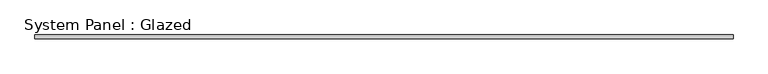
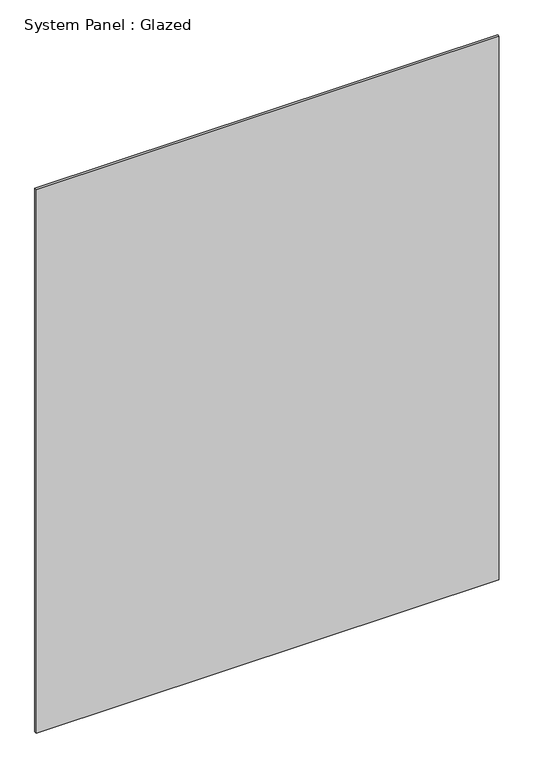
"""IFC4 building model written with IfcOpenShell, lengths in millimetres: plate geometry, System Panel : Glazed."""

from ifc_helpers import new_model, si_unit, origin, origin_with_axes, place, context, project, spatial, polyline, outline, extrude, source, transform, mapped, element, save


def system_panel_glazed_72f0a7b9(model_context):
    return source(origin(), model_context, "Body", "SweptSolid", [
        extrude(outline(polyline([(587.376905, -3.175), (-587.376905, -3.175), (-587.376905, 3.175), (587.376905, 3.175), (587.376905, -3.175)])), origin_with_axes(), (0.0, 0.0, 1.0), 1457.330715),
    ])


if __name__ == "__main__":
    model = new_model("IFC4")
    model_context = context("Model", 3, world=origin())
    ifc_project = project(units=[si_unit("LENGTHUNIT", "METRE", prefix="MILLI")], contexts=[model_context])
    site = spatial("IfcSite", under=ifc_project)
    building = spatial("IfcBuilding", under=site)
    placement = place(None, origin())
    system_panel_glazed_shape = system_panel_glazed_72f0a7b9(model_context)
    element("IfcPlate", 1, ObjectType="System Panel : Glazed", at=placement, inside=building, context=model_context, shape_type="MappedRepresentation", body=[
        mapped(system_panel_glazed_shape, transform((0.0, 0.0, 0.0), x_axis=(1.0, 0.0, 0.0), y_axis=(0.0, 1.0, 0.0), z_axis=(0.0, 0.0, 1.0))),
    ])
    save(model, "model.ifc")
